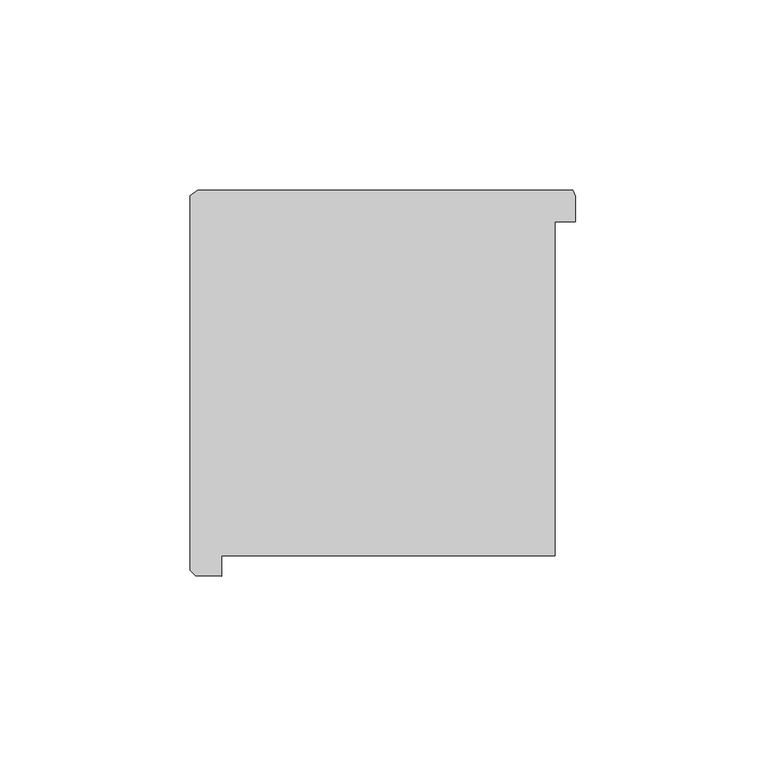
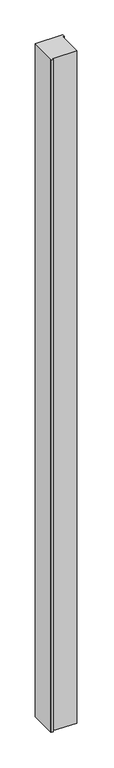
"""IFC4 building model written with IfcOpenShell, lengths in millimetres: column geometry."""

from ifc_helpers import new_model, si_unit, frame, origin, place, context, project, spatial, polyline, outline, extrude, source, transform, mapped, element, save


def column_44e0fcb9(model_context):
    return source(origin(), model_context, "Body", "SweptSolid", [
        extrude(outline(polyline([(2.1005805, 0.0), (72.8272266, -68.6892285), (72.4983618, -71.0928093), (3.6622375, -141.9707083), (1.9476753, -141.3774262), (-2.8477929, -136.7201007), (0.9450803, -132.7880022), (-62.0634245, -71.5945791), (-0.9132153, -8.63057), (-4.8012028, -4.8545835), (0.0, 0.0), (2.1005805, 0.0)])), frame((61019.3080094, -52878.1305148, 4419.60254), z_axis=(5.305356074376313e-06, 5.152525047003157e-06, 0.9999999999726523), x_axis=(-0.6966987607125271, 0.7173638106439639, 0.0)), (0.0, 0.0, 1.0), 2590.7999351),
        extrude(outline(polyline([(2.1005805, 0.0), (72.8272266, -68.6892285), (72.4983618, -71.0928093), (3.6622375, -141.9707083), (1.9476753, -141.3774262), (-2.8477929, -136.7201007), (0.9450803, -132.7880022), (-62.0634245, -71.5945791), (-0.9132153, -8.63057), (-4.8012028, -4.8545835), (0.0, 0.0), (2.1005805, 0.0)])), frame((61019.3080094, -52878.1305148, 4419.60254), z_axis=(5.305356074376313e-06, 5.152525047003157e-06, 0.9999999999726523), x_axis=(-0.6966987607125271, 0.7173638106439639, 0.0)), (0.0, 0.0, 1.0), 2590.7999351),
    ])


if __name__ == "__main__":
    model = new_model("IFC4")
    model_context = context("Model", 3, world=origin())
    ifc_project = project(units=[si_unit("LENGTHUNIT", "METRE", prefix="MILLI")], contexts=[model_context])
    site = spatial("IfcSite", under=ifc_project)
    building = spatial("IfcBuilding", under=site)
    placement = place(None, origin())
    column_shape = column_44e0fcb9(model_context)
    element("IfcColumn", 1, at=placement, inside=building, context=model_context, shape_type="MappedRepresentation", body=[
        mapped(column_shape, transform((0.0, 0.0, 0.0), x_axis=(1.0, 0.0, 0.0), y_axis=(0.0, 1.0, 0.0), z_axis=(0.0, 0.0, 1.0))),
    ])
    save(model, "model.ifc")
